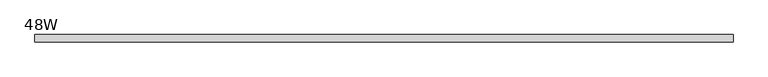
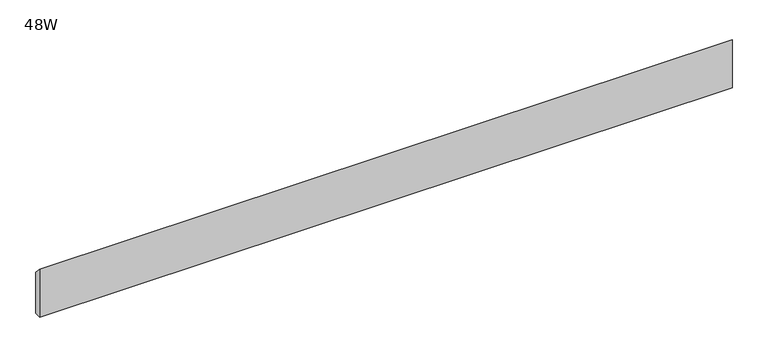
"""IFC4 building model written with IfcOpenShell, lengths in millimetres: furniture geometry, 48W."""

from ifc_helpers import new_model, si_unit, frame, origin, place, context, project, spatial, polyline, outline, extrude, source, transform, mapped, element, save


def furniture_48w_0723ff11(model_context):
    return source(origin(), model_context, "Body", "SweptSolid", [
        extrude(outline(polyline([(-11.938, 677.7482), (-11.938, 760.2982), (0.0, 747.5982), (0.0, 677.7482), (-11.938, 677.7482)])), frame((48.006, 0.0, 0.0), z_axis=(1.0, 0.0, 0.0), x_axis=(0.0, 1.0, 0.0)), (0.0, 0.0, 1.0), 1123.188),
    ])


if __name__ == "__main__":
    model = new_model("IFC4")
    model_context = context("Model", 3, world=origin())
    ifc_project = project(units=[si_unit("LENGTHUNIT", "METRE", prefix="MILLI")], contexts=[model_context])
    site = spatial("IfcSite", under=ifc_project)
    building = spatial("IfcBuilding", under=site)
    placement = place(None, origin())
    furniture_48w_shape = furniture_48w_0723ff11(model_context)
    element("IfcFurniture", 1, ObjectType="48W", at=placement, inside=building, context=model_context, shape_type="MappedRepresentation", body=[
        mapped(furniture_48w_shape, transform((0.0, 0.0, 0.0), x_axis=(1.0, 0.0, 0.0), y_axis=(0.0, 1.0, 0.0), z_axis=(0.0, 0.0, 1.0))),
    ])
    save(model, "model.ifc")
